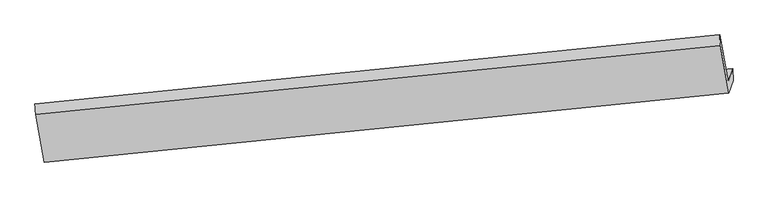
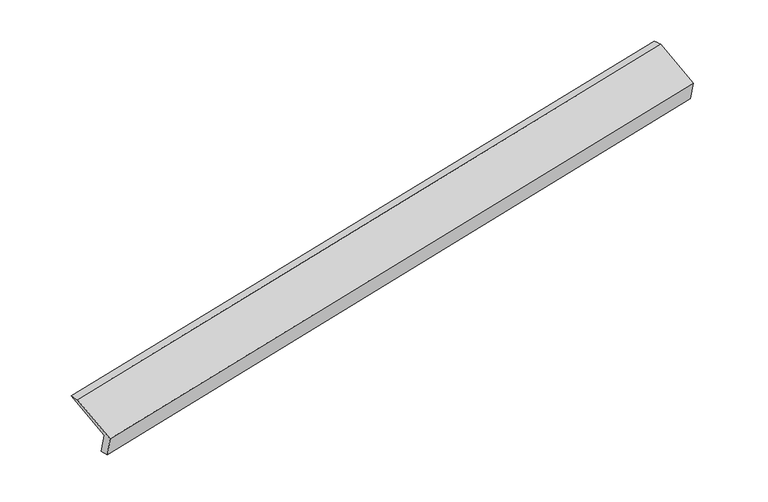
"""IFC4 building model written with IfcOpenShell, lengths in millimetres: proxy geometry."""

from ifc_helpers import new_model, si_unit, frame, origin, place, context, project, spatial, source, transform, mapped, element, save
from ifc_brep_helpers import plane_surface, spline_surface, advanced_brep


def generic_models_c5dfe54c(model_context):
    return source(origin(), model_context, "Body", "AdvancedBrep", [
        advanced_brep(
        [(-7593.0774767, -2032.6369082, 624.4327997), (-7651.138266, -2203.5468378, 1009.5641015), (1961.5357203, -1212.9991699, 2887.262816), (2022.3266488, -1034.0526996, 2484.0218385), (-7583.9888346, -2179.4609494, 653.4828489), (2028.293673, -1204.0450196, 2540.9732561), (-7641.7427614, -2349.467587, 1036.5786573), (1970.5397462, -1374.0516572, 2924.0690645), (-7763.7838723, -1678.5627053, 1315.9080766), (1850.1547611, -712.2511081, 3199.6079197), (-7773.6683692, -1529.9537855, 1290.0127333), (1842.3178686, -557.6147827, 3160.1303196)],
        [
            (0, 1),
            (1, 2),
            (2, 3),
            (3, 0),
            (4, 0),
            (3, 5),
            (5, 4),
            (6, 4),
            (5, 7),
            (7, 6),
            (8, 6),
            (7, 9),
            (9, 8),
            (10, 8),
            (9, 11),
            (11, 10),
            (1, 10),
            (11, 2),
        ],
        [
            plane_surface(frame((-7622.1078714, -2118.091873, 816.9984506), z_axis=(-0.16775536542942932, 0.9102155486894037, 0.3786367550749485), x_axis=(-0.13650695992928824, -0.40182703658477026, 0.90548378370922))),
            spline_surface(1, 1, [[(-7583.9888346, -2179.4609494, 653.4828489), (2028.293673, -1204.0450196, 2540.9732561)], [(-7593.0774767, -2032.6369082, 624.4327997), (2022.3266488, -1034.0526996, 2484.0218385)]], [2, 2], [2, 2], [0.0, 1.0], [0.0, 1.0]),
            plane_surface(frame((-7612.865798, -2264.4642682, 845.0307531), z_axis=(0.16676350623405983, -0.9103168771603309, -0.3788312502230854), x_axis=(0.1365069599295411, 0.4018270365848108, -0.9054837837091639))),
            plane_surface(frame((-7702.7633169, -2014.0151462, 1176.2433669), z_axis=(-0.13700301589010722, -0.40187686937850225, 0.9053867436049357), x_axis=(0.16561257653331524, -0.9104332572168563, -0.3790564056278465))),
            spline_surface(1, 1, [[(-7773.6683692, -1529.9537855, 1290.0127333), (1842.3178686, -557.6147827, 3160.1303196)], [(-7763.7838723, -1678.5627053, 1315.9080766), (1850.1547611, -712.2511081, 3199.6079197)]], [2, 2], [2, 2], [0.0, 1.0], [0.0, 1.0]),
            plane_surface(frame((-7712.4033176, -1866.7503116, 1149.7884174), z_axis=(0.13551474274736156, 0.4017270600563028, -0.9056771630755831), x_axis=(-0.16561257653329847, 0.9104332572168906, 0.37905640562777143))),
            plane_surface(frame((1945.861403, -1015.8357395, 2866.0108691), z_axis=(0.9766976627313051, 0.09821566485513344, 0.1908280870109802), x_axis=(0.16561257653331524, -0.9104332572168563, -0.3790564056278465))),
            plane_surface(frame((-7667.89993, -1995.6047955, 988.3298695), z_axis=(-0.9766976627313078, -0.09821566485543276, -0.19082808701081244), x_axis=(0.13650695992928405, 0.4018270365847337, -0.9054837837092369))),
        ],
        [
            (0, [[1, 2, 3, 4]]),
            (1, [[5, -4, 6, 7]]),
            (2, [[8, -7, 9, 10]]),
            (3, [[11, -10, 12, 13]]),
            (4, [[14, -13, 15, 16]]),
            (5, [[17, -16, 18, -2]]),
            (6, [[-12, -9, -6, -3, -18, -15]]),
            (7, [[-1, -5, -8, -11, -14, -17]]),
        ],
    ),
    ])


if __name__ == "__main__":
    model = new_model("IFC4")
    model_context = context("Model", 3, world=origin())
    ifc_project = project(units=[si_unit("LENGTHUNIT", "METRE", prefix="MILLI")], contexts=[model_context])
    site = spatial("IfcSite", under=ifc_project)
    building = spatial("IfcBuilding", under=site)
    placement = place(None, origin())
    generic_models_shape = generic_models_c5dfe54c(model_context)
    element("IfcBuildingElementProxy", 1, Name="Generic Models", at=placement, inside=building, context=model_context, shape_type="MappedRepresentation", body=[
        mapped(generic_models_shape, transform((0.0, 0.0, 0.0), x_axis=(1.0, 0.0, 0.0), y_axis=(0.0, 1.0, 0.0), z_axis=(0.0, 0.0, 1.0))),
    ])
    save(model, "model.ifc")
